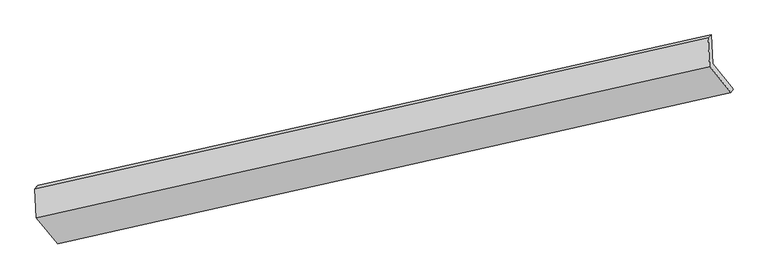
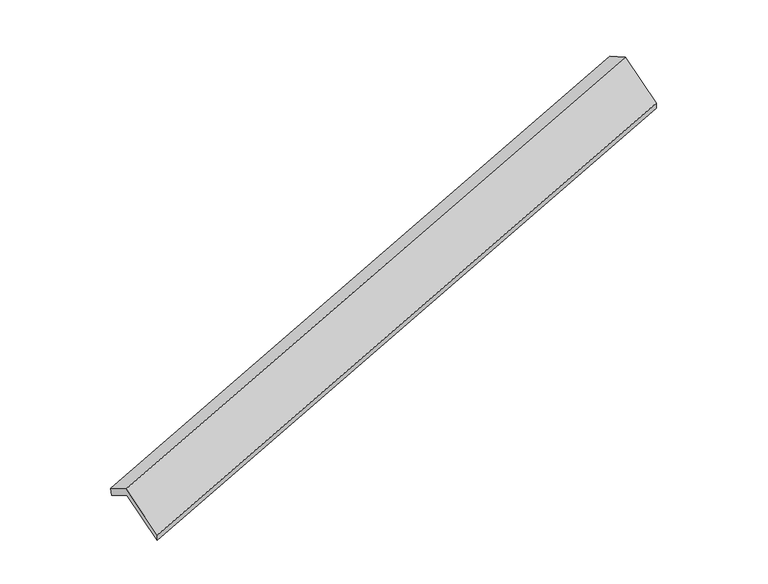
"""IFC4 building model written with IfcOpenShell, lengths in millimetres: proxy geometry."""

from ifc_helpers import new_model, si_unit, frame, origin, place, context, project, spatial, source, transform, mapped, element, save
from ifc_brep_helpers import plane_surface, spline_surface, advanced_brep


def generic_models_031efe48(model_context):
    return source(origin(), model_context, "Body", "AdvancedBrep", [
        advanced_brep(
        [(-7376.8116057, -2504.0889576, 757.0178701), (-7396.3781411, -2112.773035, 538.4633456), (1502.6630145, -119.2036283, 3300.9266438), (1521.793419, -501.7972642, 3514.609669), (-7434.9098538, -2156.713569, 692.0302506), (1463.6951709, -154.4218756, 3449.6220496), (-7415.7794493, -2539.3072049, 905.7132759), (1482.8255754, -537.0155115, 3663.3050749), (-7133.227497, -2886.2045195, 259.3070493), (1765.3775277, -883.9128261, 3016.8988483), (-7105.0421737, -2837.748256, 135.2792778), (1793.562851, -835.4565626, 2892.8710768)],
        [
            (0, 1),
            (1, 2),
            (2, 3),
            (3, 0),
            (1, 4),
            (4, 5),
            (5, 2),
            (4, 6),
            (6, 7),
            (7, 5),
            (6, 8),
            (8, 9),
            (9, 7),
            (8, 10),
            (10, 11),
            (11, 9),
            (10, 0),
            (3, 11),
        ],
        [
            plane_surface(frame((-7386.5948734, -2308.4309963, 647.7406078), z_axis=(0.35478333008878143, -0.4423094585442147, -0.8237057311767587), x_axis=(-0.043613081126191645, 0.8722286687901329, -0.4871499240431767))),
            spline_surface(1, 1, [[(-7396.3781411, -2112.773035, 538.4633456), (1502.6630145, -119.2036283, 3300.9266438)], [(-7434.9098538, -2156.713569, 692.0302506), (1463.6951709, -154.4218756, 3449.6220496)]], [2, 2], [2, 2], [0.0, 1.0], [0.0, 1.0]),
            plane_surface(frame((-7425.3446516, -2348.0103869, 798.8717633), z_axis=(-0.3547833300887812, 0.4423094585442148, 0.8237057311767586), x_axis=(0.04361308112630981, -0.8722286687901065, 0.4871499240432135))),
            plane_surface(frame((-7274.5034732, -2712.7558622, 582.5101626), z_axis=(0.04508041883034422, -0.871895511011935, 0.48761252415757067), x_axis=(0.35941734218317095, -0.4412672071149987, -0.8222544776788474))),
            plane_surface(frame((-7119.1348354, -2861.9763878, 197.2931636), z_axis=(0.2945116610253918, -0.9109154320449518, -0.288956670077753), x_axis=(0.2070810120605198, 0.3560140849515523, -0.9112471814826643))),
            plane_surface(frame((-7240.9268897, -2670.9186068, 446.148574), z_axis=(-0.04508041883034225, 0.8718955110119325, -0.4876125241575753), x_axis=(-0.35941734218318344, 0.4412672071150008, 0.8222544776788409))),
            plane_surface(frame((1588.3195931, -505.301278, 3306.3722271), z_axis=(0.9321572149013654, 0.21095118218558873, 0.2942490874103645), x_axis=(0.2070810120605198, 0.3560140849515523, -0.9112471814826643))),
            plane_surface(frame((-7310.3581201, -2506.139257, 547.9685116), z_axis=(-0.9321572149013655, -0.2109511821855874, -0.29424908741036526), x_axis=(0.35941734218318344, -0.4412672071150008, -0.8222544776788409))),
        ],
        [
            (0, [[1, 2, 3, 4]]),
            (1, [[5, 6, 7, -2]]),
            (2, [[8, 9, 10, -6]]),
            (3, [[11, 12, 13, -9]]),
            (4, [[14, 15, 16, -12]]),
            (5, [[17, -4, 18, -15]]),
            (6, [[-16, -18, -3, -7, -10, -13]]),
            (7, [[-17, -14, -11, -8, -5, -1]]),
        ],
    ),
    ])


if __name__ == "__main__":
    model = new_model("IFC4")
    model_context = context("Model", 3, world=origin())
    ifc_project = project(units=[si_unit("LENGTHUNIT", "METRE", prefix="MILLI")], contexts=[model_context])
    site = spatial("IfcSite", under=ifc_project)
    building = spatial("IfcBuilding", under=site)
    placement = place(None, origin())
    generic_models_shape = generic_models_031efe48(model_context)
    element("IfcBuildingElementProxy", 1, Name="Generic Models", at=placement, inside=building, context=model_context, shape_type="MappedRepresentation", body=[
        mapped(generic_models_shape, transform((0.0, 0.0, 0.0), x_axis=(1.0, 0.0, 0.0), y_axis=(0.0, 1.0, 0.0), z_axis=(0.0, 0.0, 1.0))),
    ])
    save(model, "model.ifc")
